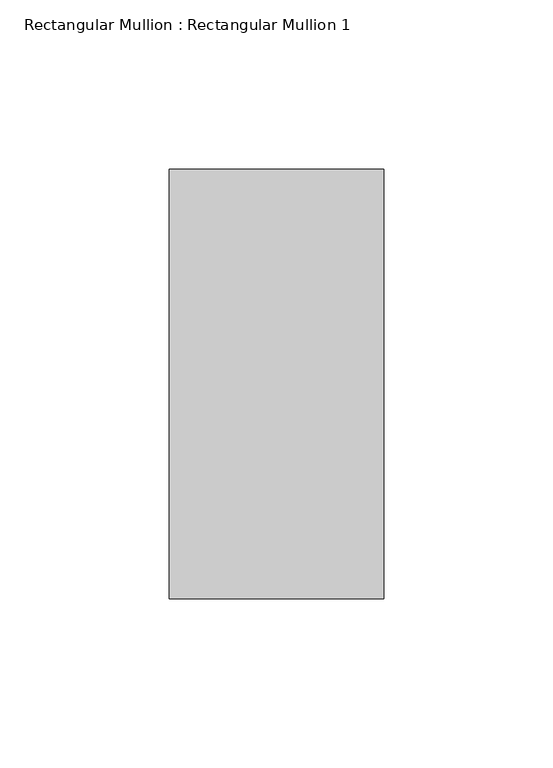
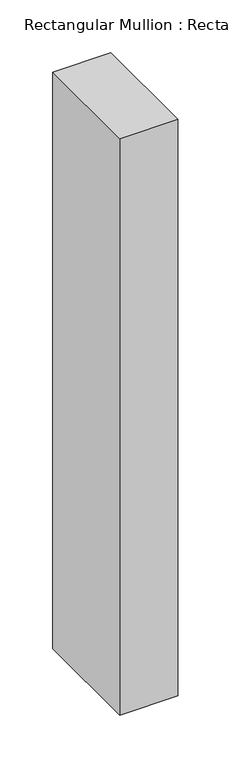
"""IFC4 building model written with IfcOpenShell, lengths in millimetres: member geometry, Rectangular Mullion : Rectangular Mullion 1."""

from ifc_helpers import new_model, si_unit, frame, origin, place, context, project, spatial, polyline, outline, extrude, source, transform, mapped, element, save


def rectangular_mullion_rectangular_mullion_1_c33c434a(model_context):
    return source(origin(), model_context, "Body", "SweptSolid", [
        extrude(outline(polyline([(0.0, 63.5), (0.0, -63.5), (-63.5, -63.5), (-63.5, 63.5), (0.0, 63.5)])), frame((0.0, 0.0, -666.75), z_axis=(0.0, 0.0, 1.0), x_axis=(1.0, 0.0, 0.0)), (0.0, 0.0, 1.0), 666.75),
    ])


if __name__ == "__main__":
    model = new_model("IFC4")
    model_context = context("Model", 3, world=origin())
    ifc_project = project(units=[si_unit("LENGTHUNIT", "METRE", prefix="MILLI")], contexts=[model_context])
    site = spatial("IfcSite", under=ifc_project)
    building = spatial("IfcBuilding", under=site)
    placement = place(None, origin())
    rectangular_mullion_rectangular_mullion_1_shape = rectangular_mullion_rectangular_mullion_1_c33c434a(model_context)
    element("IfcMember", 1, ObjectType="Rectangular Mullion : Rectangular Mullion 1", at=placement, inside=building, context=model_context, shape_type="MappedRepresentation", body=[
        mapped(rectangular_mullion_rectangular_mullion_1_shape, transform((0.0, 0.0, 0.0), x_axis=(1.0, 0.0, 0.0), y_axis=(0.0, 1.0, 0.0), z_axis=(0.0, 0.0, 1.0))),
    ])
    save(model, "model.ifc")
